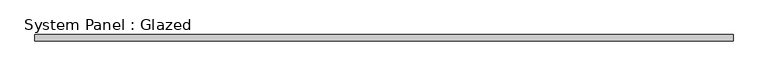
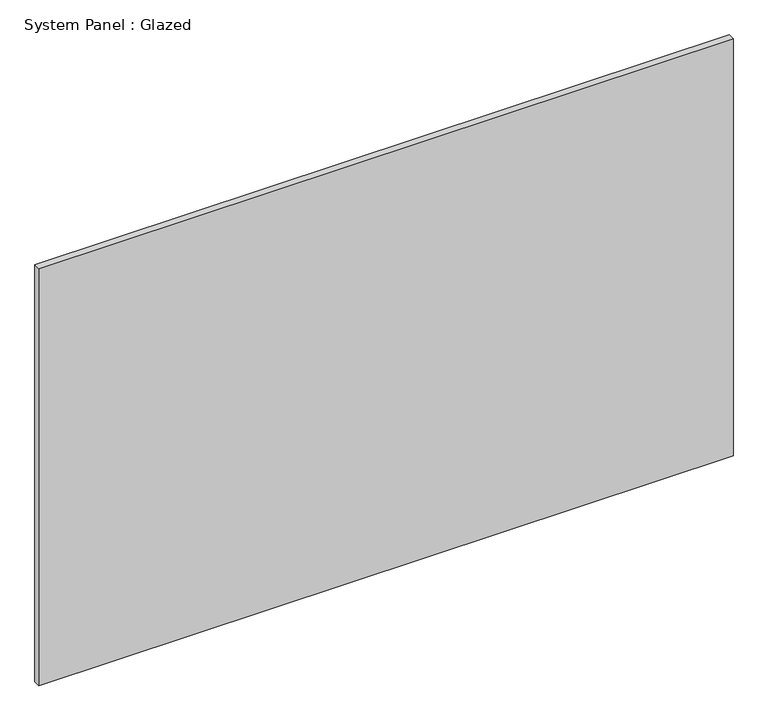
"""IFC4 building model written with IfcOpenShell, lengths in millimetres: plate geometry, System Panel : Glazed."""

from ifc_helpers import new_model, si_unit, origin, origin_with_axes, place, context, project, spatial, polyline, outline, extrude, source, transform, mapped, element, save


def system_panel_glazed_84a11d40(model_context):
    return source(origin(), model_context, "Body", "SweptSolid", [
        extrude(outline(polyline([(1365.25, 19.05), (-1365.25, 19.05), (-1365.25, 44.45), (1365.25, 44.45), (1365.25, 19.05)])), origin_with_axes(), (0.0, 0.0, 1.0), 1733.55),
    ])


if __name__ == "__main__":
    model = new_model("IFC4")
    model_context = context("Model", 3, world=origin())
    ifc_project = project(units=[si_unit("LENGTHUNIT", "METRE", prefix="MILLI")], contexts=[model_context])
    site = spatial("IfcSite", under=ifc_project)
    building = spatial("IfcBuilding", under=site)
    placement = place(None, origin())
    system_panel_glazed_shape = system_panel_glazed_84a11d40(model_context)
    element("IfcPlate", 1, ObjectType="System Panel : Glazed", at=placement, inside=building, context=model_context, shape_type="MappedRepresentation", body=[
        mapped(system_panel_glazed_shape, transform((0.0, 0.0, 0.0), x_axis=(1.0, 0.0, 0.0), y_axis=(0.0, 1.0, 0.0), z_axis=(0.0, 0.0, 1.0))),
    ])
    save(model, "model.ifc")
